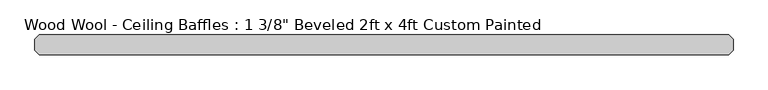
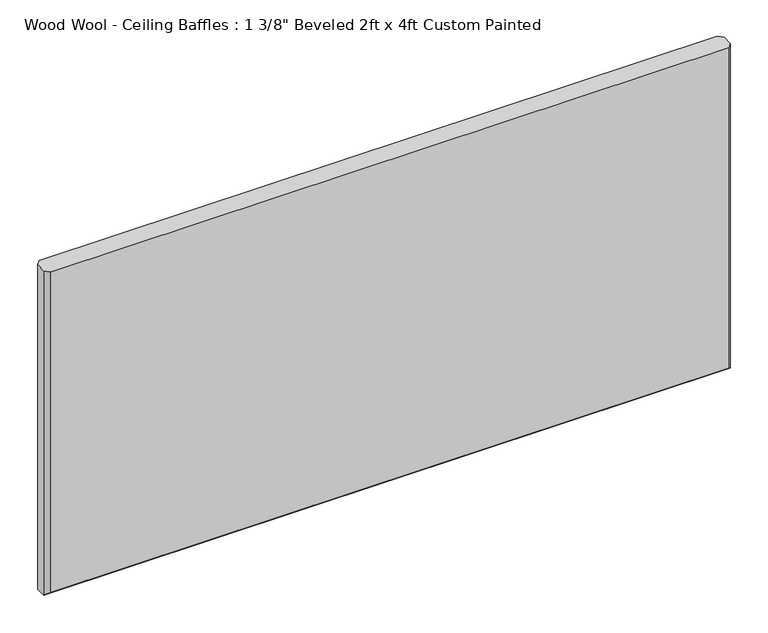
"""IFC4 building model written with IfcOpenShell, lengths in millimetres: proxy geometry."""

from ifc_helpers import new_model, si_unit, origin, place, context, project, spatial, faceted_brep, source, transform, mapped, element, save


def proxy_c3fb8992(model_context):
    return source(origin(), model_context, "Body", "Brep", [
        faceted_brep([(601.599, -34.925, 609.6), (-601.599, -34.925, 609.6), (-601.599, -34.925, 8.001), (601.599, -34.925, 8.001), (-601.599, 0.0, 609.6), (601.599, 0.0, 609.6), (601.599, 0.0, 8.001), (-601.599, 0.0, 8.001), (609.6, -26.924, 609.6), (609.6, -26.924, 0.0), (609.6, -8.001, 0.0), (609.6, -8.001, 609.6), (-609.6, -8.001, 609.6), (-609.6, -26.924, 609.6), (-609.6, -26.924, 0.0), (-609.6, -8.001, 0.0)], [[[0, 1, 2, 3]], [[4, 5, 6, 7]], [[8, 9, 10, 11]], [[1, 0, 8, 11, 5, 4, 12, 13]], [[14, 13, 12, 15]], [[9, 14, 15, 10]], [[9, 3, 2, 14]], [[3, 9, 8, 0]], [[14, 2, 1, 13]], [[10, 6, 5, 11]], [[6, 10, 15, 7]], [[7, 15, 12, 4]]]),
    ])


if __name__ == "__main__":
    model = new_model("IFC4")
    model_context = context("Model", 3, world=origin())
    ifc_project = project(units=[si_unit("LENGTHUNIT", "METRE", prefix="MILLI")], contexts=[model_context])
    site = spatial("IfcSite", under=ifc_project)
    building = spatial("IfcBuilding", under=site)
    placement = place(None, origin())
    proxy_shape = proxy_c3fb8992(model_context)
    element("IfcBuildingElementProxy", 1, Name="Wood Wool - Ceiling Baffles : 1 3/8\" Beveled 2ft x 4ft Custom Painted", ObjectType="Wood Wool - Ceiling Baffles : 1 3/8\" Beveled 2ft x 4ft Custom Painted", at=placement, inside=building, context=model_context, shape_type="MappedRepresentation", body=[
        mapped(proxy_shape, transform((0.0, 0.0, 0.0), x_axis=(1.0, 0.0, 0.0), y_axis=(0.0, 1.0, 0.0), z_axis=(0.0, 0.0, 1.0))),
    ])
    save(model, "model.ifc")
